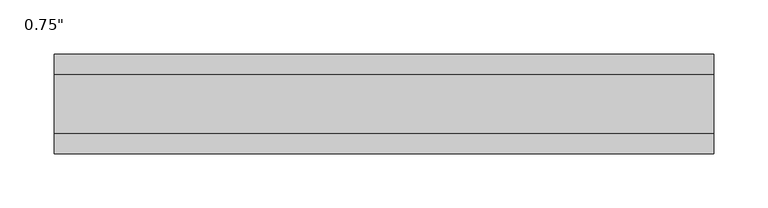
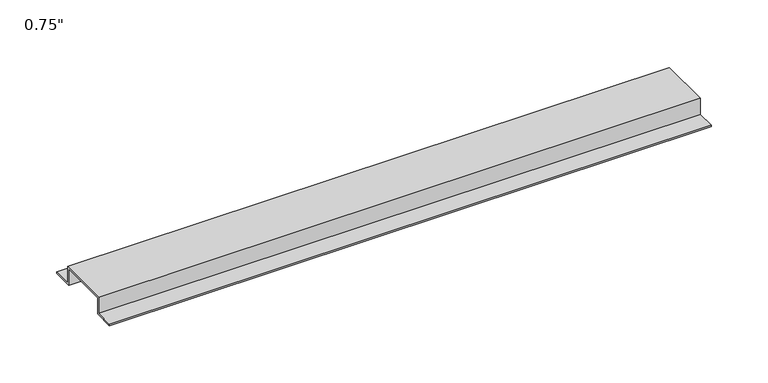
"""IFC4 building model written with IfcOpenShell, lengths in millimetres: proxy geometry."""

from ifc_helpers import new_model, si_unit, frame, origin, place, context, project, spatial, polyline, outline, extrude, source, transform, mapped, element, save


def proxy_3a633b74(model_context):
    return source(origin(), model_context, "Body", "SweptSolid", [
        extrude(outline(polyline([(-46.0559645, -17.4625), (-46.0559645, -15.8492), (-27.0129, -15.8492), (-27.0129, 1.6129), (27.0129, 1.6129), (27.0129, -15.8492), (46.0559645, -15.8492), (46.0559645, -17.4625), (25.4, -17.4625), (25.4, 0.0), (-25.4, 0.0), (-25.4, -17.4625), (-46.0559645, -17.4625)])), frame((0.0, 0.0, 0.0), z_axis=(1.0, 0.0, 0.0), x_axis=(0.0, 1.0, 0.0)), (0.0, 0.0, 1.0), 609.6),
    ])


if __name__ == "__main__":
    model = new_model("IFC4")
    model_context = context("Model", 3, world=origin())
    ifc_project = project(units=[si_unit("LENGTHUNIT", "METRE", prefix="MILLI")], contexts=[model_context])
    site = spatial("IfcSite", under=ifc_project)
    building = spatial("IfcBuilding", under=site)
    placement = place(None, origin())
    proxy_shape = proxy_3a633b74(model_context)
    element("IfcBuildingElementProxy", 1, Name="0.75\"", ObjectType="0.75\"", at=placement, inside=building, context=model_context, shape_type="MappedRepresentation", body=[
        mapped(proxy_shape, transform((0.0, 0.0, 0.0), x_axis=(1.0, 0.0, 0.0), y_axis=(0.0, 1.0, 0.0), z_axis=(0.0, 0.0, 1.0))),
    ])
    save(model, "model.ifc")
